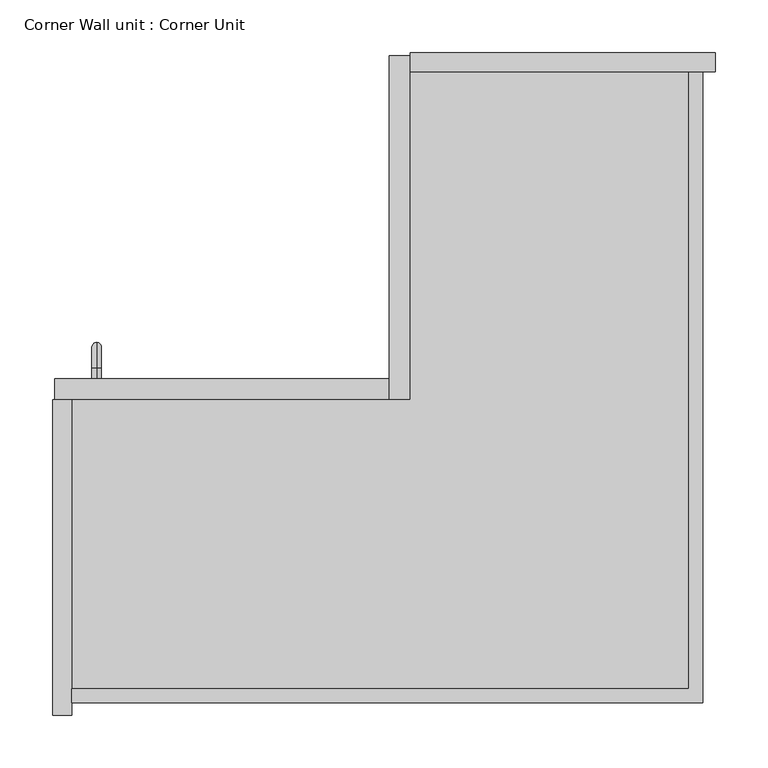
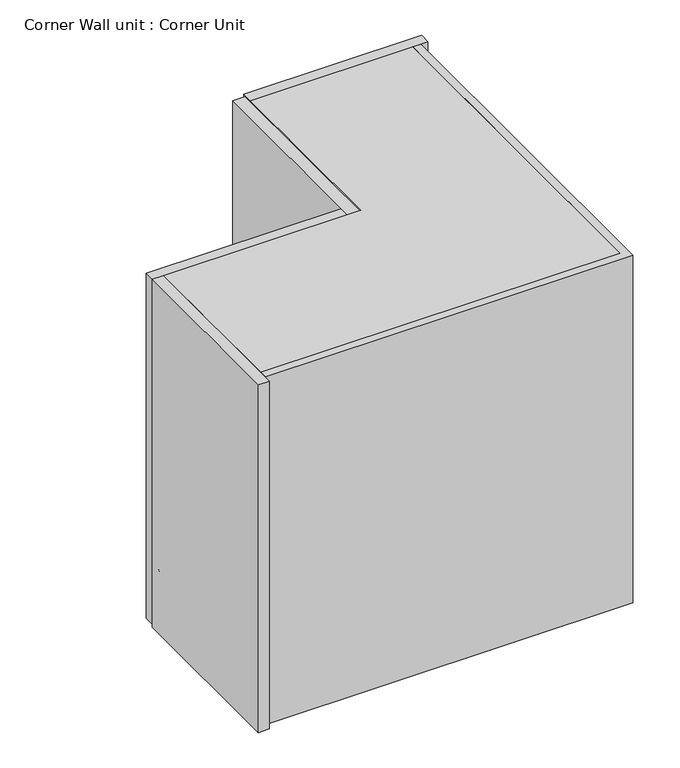
"""IFC4 building model written with IfcOpenShell, lengths in millimetres: furniture geometry, Corner Wall unit : Corner Unit."""

from ifc_helpers import new_model, si_unit, point, frame, origin, place, context, project, spatial, polyline, circle_curve, ellipse_curve, trimmed, outline, extrude, source, transform, mapped, element, save
from ifc_brep_helpers import plane_surface, cylinder_surface, revolved_surface, advanced_brep


def corner_wall_unit_corner_unit_7a1c675c(model_context):
    return source(origin(), model_context, "Body", "SolidModel", [
        advanced_brep(
        [(166.875, 320.4, 1774.5), (166.875, 320.4, 1765.5), (166.875, 330.4, 1774.5), (166.875, 330.4, 1765.5), (166.875, 345.9, 1750.0), (166.875, 354.9, 1750.0), (166.875, 354.9, 1670.0), (166.875, 345.9, 1670.0), (166.875, 330.4, 1654.5), (166.875, 330.4, 1645.5), (166.875, 320.4, 1645.5), (166.875, 320.4, 1654.5)],
        [
            (0, 1, circle_curve(frame((166.875, 320.4, 1770.0), z_axis=(0.0, -1.0, 0.0), x_axis=(0.0, 0.0, -1.0)), 4.5)),
            (1, 0, circle_curve(frame((166.875, 320.4, 1770.0), z_axis=(0.0, -1.0, 0.0), x_axis=(0.0, 0.0, -1.0)), 4.5)),
            (0, 2),
            (2, 3, circle_curve(frame((166.875, 330.4, 1770.0), z_axis=(0.0, -1.0, 0.0), x_axis=(0.0, 0.0, -1.0)), 4.5)),
            (3, 1),
            (3, 2, circle_curve(frame((166.875, 330.4, 1770.0), z_axis=(0.0, -1.0, 0.0), x_axis=(0.0, 0.0, -1.0)), 4.5)),
            (4, 3, circle_curve(frame((166.875, 330.4, 1750.0), z_axis=(1.0, 0.0, 0.0), x_axis=(0.0, 0.0, 1.0)), 15.5)),
            (2, 5, circle_curve(frame((166.875, 330.4, 1750.0), z_axis=(-1.0, 0.0, 0.0), x_axis=(0.0, 0.0, 1.0)), 24.5)),
            (5, 4, circle_curve(frame((166.875, 350.4, 1750.0), z_axis=(0.0, 0.0, 1.0), x_axis=(0.0, -1.0, 0.0)), 4.5)),
            (4, 5, circle_curve(frame((166.875, 350.4, 1750.0), z_axis=(0.0, 0.0, 1.0), x_axis=(0.0, -1.0, 0.0)), 4.5)),
            (5, 6),
            (6, 7, circle_curve(frame((166.875, 350.4, 1670.0), z_axis=(0.0, 0.0, 1.0), x_axis=(0.0, -1.0, 0.0)), 4.5)),
            (7, 4),
            (7, 6, circle_curve(frame((166.875, 350.4, 1670.0), z_axis=(0.0, 0.0, 1.0), x_axis=(0.0, -1.0, 0.0)), 4.5)),
            (8, 7, circle_curve(frame((166.875, 330.4, 1670.0), z_axis=(1.0, 0.0, 0.0), x_axis=(0.0, 1.0, 0.0)), 15.5)),
            (6, 9, circle_curve(frame((166.875, 330.4, 1670.0), z_axis=(-1.0, 0.0, 0.0), x_axis=(0.0, 1.0, 0.0)), 24.5)),
            (9, 8, circle_curve(frame((166.875, 330.4, 1650.0), z_axis=(0.0, 1.0, 0.0), x_axis=(0.0, 0.0, 1.0)), 4.5)),
            (8, 9, circle_curve(frame((166.875, 330.4, 1650.0), z_axis=(0.0, 1.0, 0.0), x_axis=(0.0, 0.0, 1.0)), 4.5)),
            (10, 11, circle_curve(frame((166.875, 320.4, 1650.0), z_axis=(0.0, -1.0, 0.0), x_axis=(0.0, 0.0, 1.0)), 4.5)),
            (11, 10, circle_curve(frame((166.875, 320.4, 1650.0), z_axis=(0.0, -1.0, 0.0), x_axis=(0.0, 0.0, 1.0)), 4.5)),
            (9, 10),
            (11, 8),
        ],
        [
            plane_surface(frame((166.875, 320.4, 1770.0), z_axis=(0.0, -1.0, 0.0), x_axis=(-1.0, 0.0, 0.0))),
            cylinder_surface(frame((166.875, 320.4, 1770.0), z_axis=(0.0, -1.0, 0.0), x_axis=(0.0, 0.0, -1.0)), 4.5),
            revolved_surface(trimmed(ellipse_curve(frame((166.875, 330.4, 1770.0), z_axis=(0.0, -1.0, 0.0), x_axis=(0.0, 0.0, -1.0)), 4.5, 4.5), [point((166.875, 330.4, 1774.5))], [point((166.875, 330.4, 1765.5))], True, "CARTESIAN"), (166.875, 330.4, 1750.0), (-1.0, 0.0, 0.0)),
            revolved_surface(trimmed(ellipse_curve(frame((166.875, 330.4, 1770.0), z_axis=(0.0, -1.0, 0.0), x_axis=(0.0, 0.0, -1.0)), 4.5, 4.5), [point((166.875, 330.4, 1765.5))], [point((166.875, 330.4, 1774.5))], True, "CARTESIAN"), (166.875, 330.4, 1750.0), (-1.0, 0.0, 0.0)),
            cylinder_surface(frame((166.875, 350.4, 1750.0), z_axis=(0.0, 0.0, 1.0), x_axis=(0.0, -1.0, 0.0)), 4.5),
            revolved_surface(trimmed(ellipse_curve(frame((166.875, 350.4, 1670.0), z_axis=(0.0, 0.0, 1.0), x_axis=(0.0, -1.0, 0.0)), 4.5, 4.5), [point((166.875, 354.9, 1670.0))], [point((166.875, 345.9, 1670.0))], True, "CARTESIAN"), (166.875, 330.4, 1670.0), (-1.0, 0.0, 0.0)),
            revolved_surface(trimmed(ellipse_curve(frame((166.875, 350.4, 1670.0), z_axis=(0.0, 0.0, 1.0), x_axis=(0.0, -1.0, 0.0)), 4.5, 4.5), [point((166.875, 345.9, 1670.0))], [point((166.875, 354.9, 1670.0))], True, "CARTESIAN"), (166.875, 330.4, 1670.0), (-1.0, 0.0, 0.0)),
            plane_surface(frame((166.875, 320.4, 1650.0), z_axis=(0.0, -1.0, 0.0), x_axis=(-1.0, 0.0, 0.0))),
            cylinder_surface(frame((166.875, 330.4, 1650.0), z_axis=(0.0, 1.0, 0.0), x_axis=(0.0, 0.0, 1.0)), 4.5),
        ],
        [
            (0, [[1, 2]]),
            (1, [[-1, 3, 4, 5]]),
            (1, [[-2, -5, 6, -3]]),
            (2, [[7, -4, 8, 9]]),
            (3, [[-8, -6, -7, 10]]),
            (4, [[-9, 11, 12, 13]]),
            (4, [[-10, -13, 14, -11]]),
            (5, [[15, -12, 16, 17]]),
            (6, [[-16, -14, -15, 18]]),
            (7, [[19, 20]]),
            (8, [[-17, 21, -20, 22]]),
            (8, [[-18, -22, -19, -21]]),
        ],
    ),
        extrude(outline(polyline([(445.0, 627.4), (465.0, 627.4), (465.0, 300.4), (445.0, 300.4), (445.0, 627.4)])), frame((0.0, 0.0, 1602.8302988), z_axis=(0.0, 0.0, 1.0), x_axis=(1.0, 0.0, 0.0)), (0.0, 0.0, 1.0), 594.8153316),
        extrude(outline(polyline([(755.0, 630.4), (755.0, 612.4), (465.0, 612.4), (465.0, 630.4), (755.0, 630.4)])), frame((0.0, 0.0, 1600.0), z_axis=(0.0, 0.0, 1.0), x_axis=(1.0, 0.0, 0.0)), (0.0, 0.0, 1.0), 600.0),
        extrude(outline(polyline([(445.0, 320.4), (445.0, 300.4), (127.0, 300.4), (127.0, 320.4), (445.0, 320.4)])), frame((0.0, 0.0, 1602.8302988), z_axis=(0.0, 0.0, 1.0), x_axis=(1.0, 0.0, 0.0)), (0.0, 0.0, 1.0), 594.8153316),
        extrude(outline(polyline([(730.0, 25.4), (730.0, 612.4), (743.0, 612.4), (743.0, 12.4), (143.0, 12.4), (143.0, 25.4), (730.0, 25.4)])), frame((0.0, 0.0, 1600.0), z_axis=(0.0, 0.0, 1.0), x_axis=(1.0, 0.0, 0.0)), (0.0, 0.0, 1.0), 600.0),
        extrude(outline(polyline([(143.0, 0.4), (125.0, 0.4), (125.0, 300.4), (143.0, 300.4), (143.0, 0.4)])), frame((0.0, 0.0, 1600.0), z_axis=(0.0, 0.0, 1.0), x_axis=(1.0, 0.0, 0.0)), (0.0, 0.0, 1.0), 600.0),
        extrude(outline(polyline([(465.0, 612.4), (743.0, 612.4), (743.0, 25.4), (143.0, 25.4), (143.0, 300.4), (465.0, 300.4), (465.0, 612.4)])), frame((0.0, 0.0, 1600.0), z_axis=(0.0, 0.0, 1.0), x_axis=(1.0, 0.0, 0.0)), (0.0, 0.0, 1.0), 18.0),
        extrude(outline(polyline([(465.0, 612.4), (730.0, 612.4), (730.0, 25.4), (143.0, 25.4), (143.0, 300.4), (465.0, 300.4), (465.0, 612.4)])), frame((0.0, 0.0, 2186.3538393), z_axis=(0.0, 0.0, 1.0), x_axis=(1.0, 0.0, 0.0)), (0.0, 0.0, 1.0), 13.6461607),
    ])


if __name__ == "__main__":
    model = new_model("IFC4")
    model_context = context("Model", 3, world=origin())
    ifc_project = project(units=[si_unit("LENGTHUNIT", "METRE", prefix="MILLI")], contexts=[model_context])
    site = spatial("IfcSite", under=ifc_project)
    building = spatial("IfcBuilding", under=site)
    placement = place(None, origin())
    corner_wall_unit_corner_unit_shape = corner_wall_unit_corner_unit_7a1c675c(model_context)
    element("IfcFurniture", 1, ObjectType="Corner Wall unit : Corner Unit", at=placement, inside=building, context=model_context, shape_type="MappedRepresentation", body=[
        mapped(corner_wall_unit_corner_unit_shape, transform((0.0, 0.0, 0.0), x_axis=(1.0, 0.0, 0.0), y_axis=(0.0, 1.0, 0.0), z_axis=(0.0, 0.0, 1.0))),
    ])
    save(model, "model.ifc")
